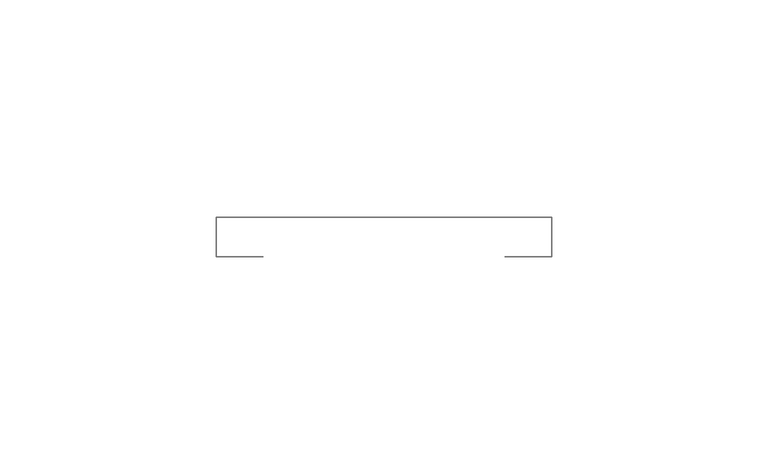
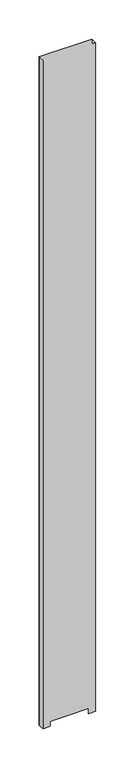
"""IFC4 building model written with IfcOpenShell, lengths in millimetres: furniture geometry."""

import ifcopenshell
import ifcopenshell.guid

model = None  # the IFC model being written
_history = None  # IfcOwnerHistory: only IFC2X3 demands one
_inside = {}  # id of a spatial element -> (the spatial element, [elements in it])
_under = {}  # id of a project, library or spatial element -> (it, [spatial elements below it])
_declared = {}  # id of a project -> (the project, [libraries it declares])
_typed = {}  # id of a type object -> (the type object, [elements of that type])
_made_of = {}  # id of a material, layer set ... -> (it, [elements and type objects made of it])


def new_model(schema):
    """Start an empty IFC model of exactly this schema.

    Asked for "IFC4X3", IfcOpenShell would pick the latest addendum, in which some entities
    have other attributes; the version numbers below select the first issue.
    IFC2X3 requires an IfcOwnerHistory on every rooted entity: one is made here for all.
    """
    global model, _history
    if schema == "IFC4X3":
        model = ifcopenshell.file(schema_version=(4, 3, 0, 0))
    else:
        model = ifcopenshell.file(schema=schema)
    _inside.clear()
    _under.clear()
    _declared.clear()
    _typed.clear()
    _made_of.clear()
    _history = None
    if model.schema == "IFC2X3":
        org = make("IfcOrganization", Name="unknown")
        user = make(
            "IfcPersonAndOrganization",
            ThePerson=make("IfcPerson", FamilyName="unknown"),
            TheOrganization=org,
        )
        app = make(
            "IfcApplication",
            ApplicationDeveloper=org,
            Version="unknown",
            ApplicationFullName="unknown",
            ApplicationIdentifier="unknown",
        )
        _history = make(
            "IfcOwnerHistory",
            OwningUser=user,
            OwningApplication=app,
            ChangeAction="ADDED",
            CreationDate=0,
        )
    return model


def make(cls, **values):
    """One entity of the class cls with the attributes given. An attribute that is None is left unset."""
    return model.create_entity(
        cls, **{name: value for name, value in values.items() if value is not None}
    )


def rooted(cls, **values):
    """An entity with a GlobalId (a new one), such as an element, a storey or a relation."""
    return make(cls, GlobalId=ifcopenshell.guid.new(), OwnerHistory=_history, **values)


def si_unit(unit_type, name, prefix=None):
    """IfcSIUnit, for example si_unit("LENGTHUNIT", "METRE", prefix="MILLI")."""
    return make("IfcSIUnit", UnitType=unit_type, Prefix=prefix, Name=name)


def assignment(units):
    """IfcUnitAssignment: the units of a project."""
    return None if units is None else make("IfcUnitAssignment", Units=units)


def point(xyz):
    """IfcCartesianPoint."""
    return None if xyz is None else make("IfcCartesianPoint", Coordinates=xyz)


def direction(xyz):
    """IfcDirection."""
    return None if xyz is None else make("IfcDirection", DirectionRatios=xyz)


def frame(location, z_axis=None, x_axis=None):
    """IfcAxis2Placement3D, a coordinate frame: its origin and axes. An axis left out is left unset."""
    return make(
        "IfcAxis2Placement3D",
        Location=point(location),
        Axis=direction(z_axis),
        RefDirection=direction(x_axis),
    )


def origin():
    """The frame at (0, 0, 0) with its axes left unset."""
    return frame((0.0, 0.0, 0.0))


def place(relative_to, where):
    """IfcLocalPlacement: puts the frame where relative to a parent placement (None: the world)."""
    return make(
        "IfcLocalPlacement", PlacementRelTo=relative_to, RelativePlacement=where
    )


def context(
    kind, dimensions, precision=None, world=None, true_north=None, identifier=None
):
    """IfcGeometricRepresentationContext, for example the 3D "Model" context."""
    return make(
        "IfcGeometricRepresentationContext",
        ContextIdentifier=identifier,
        ContextType=kind,
        CoordinateSpaceDimension=dimensions,
        Precision=precision,
        WorldCoordinateSystem=world,
        TrueNorth=true_north,
    )


def project(units=None, contexts=None):
    """IfcProject with its units and contexts."""
    return rooted(
        "IfcProject",
        Name="project",
        RepresentationContexts=contexts,
        UnitsInContext=assignment(units),
    )


def spatial(cls, under=None, at=None, **own):
    """A site, building, storey or space (cls), placed at a placement, below another one or the project."""
    s = rooted(cls, ObjectPlacement=at, **own)
    if under is not None:
        _under.setdefault(under.id(), (under, []))[1].append(s)
    return s


def point_list(points):
    """IfcCartesianPointList2D or 3D."""
    cls = (
        "IfcCartesianPointList2D" if len(points[0]) == 2 else "IfcCartesianPointList3D"
    )
    return make(cls, CoordList=points)


def triangles(points, corners, closed=None, point_numbers=None):
    """IfcTriangulatedFaceSet: each triangle names its three corners, points numbered from 1."""
    return make(
        "IfcTriangulatedFaceSet",
        Coordinates=point_list(points),
        Closed=closed,
        CoordIndex=corners,
        PnIndex=point_numbers,
    )


def shape(context_of_items, identifier, shape_type, items):
    """IfcShapeRepresentation: the items that make up one representation, for example the "Body"."""
    return make(
        "IfcShapeRepresentation",
        ContextOfItems=context_of_items,
        RepresentationIdentifier=identifier,
        RepresentationType=shape_type,
        Items=items,
    )


def source(mapping_origin, context_of_items, identifier, shape_type, items):
    """IfcRepresentationMap: a shape defined once, which mapped items show again and again."""
    return make(
        "IfcRepresentationMap",
        MappingOrigin=mapping_origin,
        MappedRepresentation=shape(context_of_items, identifier, shape_type, items),
    )


def transform(
    local_origin,
    x_axis=None,
    y_axis=None,
    z_axis=None,
    scale=None,
    scale2=None,
    scale3=None,
    uniform=True,
):
    """IfcCartesianTransformationOperator3D, or its non-uniform kind. x_axis, y_axis, z_axis: its Axis1, 2, 3."""
    if uniform:
        return make(
            "IfcCartesianTransformationOperator3D",
            Axis1=direction(x_axis),
            Axis2=direction(y_axis),
            LocalOrigin=point(local_origin),
            Scale=scale,
            Axis3=direction(z_axis),
        )
    return make(
        "IfcCartesianTransformationOperator3DnonUniform",
        Axis1=direction(x_axis),
        Axis2=direction(y_axis),
        LocalOrigin=point(local_origin),
        Scale=scale,
        Axis3=direction(z_axis),
        Scale2=scale2,
        Scale3=scale3,
    )


def mapped(mapping_source, mapping_target):
    """IfcMappedItem: shows the shape of a source again, moved by a transform."""
    return make(
        "IfcMappedItem", MappingSource=mapping_source, MappingTarget=mapping_target
    )


def made_of(thing, what):
    """Note that an element or type object is made of a material, layer set ...; save() writes the relation."""
    if what is not None:
        _made_of.setdefault(what.id(), (what, []))[1].append(thing)
    return thing


def element(
    cls,
    number,
    at=None,
    inside=None,
    cuts=None,
    type_object=None,
    material=None,
    context=None,
    identifier="Body",
    shape_type=None,
    held_by="IfcProductDefinitionShape",
    body=None,
    shapes=None,
    **own,
):
    """One element of the class cls, such as IfcWall. Its Tag is "e" and its number.

    at: its placement. inside: the storey or other place that contains it. cuts: it is an
    opening in that element (IfcRelVoidsElement). A single representation is given by context,
    identifier, shape_type and body (its items); several are given by shapes. held_by: the class
    of the entity that holds the representations. save() writes the other relations.
    """
    e = rooted(cls, Tag="e%d" % number, ObjectPlacement=at, **own)
    if body is not None:
        shapes = [shape(context, identifier, shape_type, body)]
    if shapes is not None:
        e.Representation = make(held_by, Representations=shapes)
    if inside is not None:
        _inside.setdefault(inside.id(), (inside, []))[1].append(e)
    if cuts is not None:
        rooted(
            "IfcRelVoidsElement", RelatingBuildingElement=cuts, RelatedOpeningElement=e
        )
    if type_object is not None:
        _typed.setdefault(type_object.id(), (type_object, []))[1].append(e)
    return made_of(e, material)


def aggregate(whole, parts):
    """IfcRelAggregates: a whole, such as a stair, and the parts it consists of."""
    return rooted("IfcRelAggregates", RelatingObject=whole, RelatedObjects=parts)


def save(model, path):
    """Write the relations noted so far, then the file.

    IfcRelAggregates (storeys below a building ...), IfcRelContainedInSpatialStructure (elements
    in a storey), IfcRelDefinesByType, IfcRelAssociatesMaterial and IfcRelDeclares: one each for
    every whole, place, type object, material and project.
    """
    for whole, parts in _under.values():
        aggregate(whole, parts)
    for where, things in _inside.values():
        rooted(
            "IfcRelContainedInSpatialStructure",
            RelatedElements=things,
            RelatingStructure=where,
        )
    for kind, things in _typed.values():
        rooted("IfcRelDefinesByType", RelatedObjects=things, RelatingType=kind)
    for what, things in _made_of.values():
        rooted("IfcRelAssociatesMaterial", RelatedObjects=things, RelatingMaterial=what)
    for by, libraries in _declared.values():
        rooted("IfcRelDeclares", RelatingContext=by, RelatedDefinitions=libraries)
    model.write(path)


def furniture_3d2a8c15(model_context):
    return source(origin(), model_context, "Body", "Tessellation", [
        triangles([(11.1759996, -9.1185999, 1048.765999), (0.381, -9.1185999, 1048.765999), (0.381, -9.1185999, 14.2875), (11.1759996, -9.1185999, 14.2875), (77.8509984, -9.1185999, 1048.765999), (67.0559996, -9.1185999, 1048.765999), (67.0559996, -9.1185999, 14.2875), (77.8509984, -9.1185999, 14.2875), (0.381, 0.0, 14.2875), (0.381, 0.0, 1048.765999), (77.8509984, 0.0, 1048.765999), (77.8509984, 0.0, 14.2875)], [[1, 2, 3], [1, 3, 4], [5, 6, 7], [5, 7, 8], [9, 10, 11], [9, 11, 12], [3, 2, 10], [3, 10, 9], [8, 12, 11], [8, 11, 5]], closed=False),
    ])


if __name__ == "__main__":
    model = new_model("IFC4")
    model_context = context("Model", 3, world=origin())
    ifc_project = project(units=[si_unit("LENGTHUNIT", "METRE", prefix="MILLI")], contexts=[model_context])
    site = spatial("IfcSite", under=ifc_project)
    building = spatial("IfcBuilding", under=site)
    placement = place(None, origin())
    furniture_shape = furniture_3d2a8c15(model_context)
    element("IfcFurniture", 1, at=placement, inside=building, context=model_context, shape_type="MappedRepresentation", body=[
        mapped(furniture_shape, transform((0.0, 0.0, 0.0), x_axis=(1.0, 0.0, 0.0), y_axis=(0.0, 1.0, 0.0), z_axis=(0.0, 0.0, 1.0))),
    ])
    save(model, "model.ifc")
